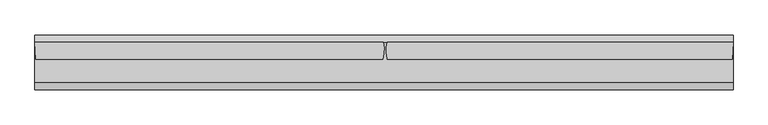
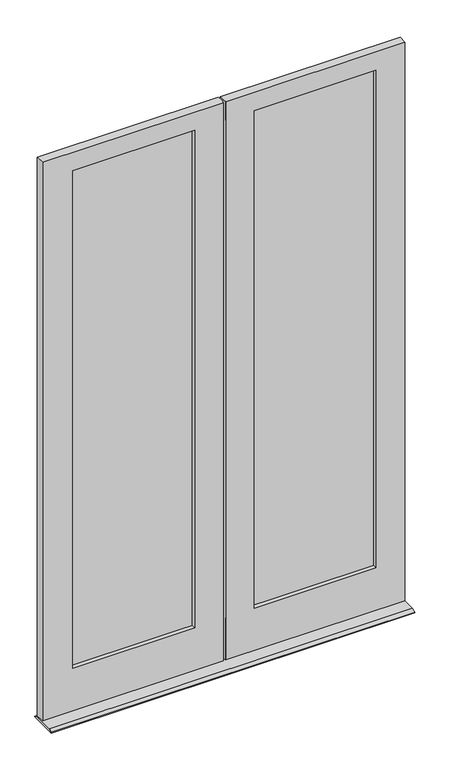
"""IFC4 building model written with IfcOpenShell, lengths in millimetres: plate geometry."""

from ifc_helpers import new_model, si_unit, frame, origin, place, context, project, spatial, polyline, circle_curve, outline, extrude, source, transform, mapped, element, save
from ifc_brep_helpers import plane_surface, cylinder_surface, advanced_brep


def plate_1552cdea(model_context):
    return source(origin(), model_context, "Body", "SolidModel", [
        extrude(outline(polyline([(-134.14375, -24.1173), (-773.90625, -24.1173), (-773.90625, -20.9423), (-134.14375, -20.9423), (-134.14375, -24.1173)])), frame((0.0, 0.0, 226.615625), z_axis=(0.0, 0.0, 1.0), x_axis=(1.0, 0.0, 0.0)), (0.0, 0.0, 1.0), 2663.428125),
        extrude(outline(polyline([(-773.90625, -13.1953), (-134.14375, -13.1953), (-134.14375, -16.3703), (-773.90625, -16.3703), (-773.90625, -13.1953)])), frame((0.0, 0.0, 226.615625), z_axis=(0.0, 0.0, 1.0), x_axis=(1.0, 0.0, 0.0)), (0.0, 0.0, 1.0), 2663.428125),
        extrude(outline(polyline([(773.90625, -24.1173), (134.14375, -24.1173), (134.14375, -20.9423), (773.90625, -20.9423), (773.90625, -24.1173)])), frame((0.0, 0.0, 226.615625), z_axis=(0.0, 0.0, 1.0), x_axis=(1.0, 0.0, 0.0)), (0.0, 0.0, 1.0), 2663.428125),
        extrude(outline(polyline([(134.14375, -13.1953), (773.90625, -13.1953), (773.90625, -16.3703), (134.14375, -16.3703), (134.14375, -13.1953)])), frame((0.0, 0.0, 226.615625), z_axis=(0.0, 0.0, 1.0), x_axis=(1.0, 0.0, 0.0)), (0.0, 0.0, 1.0), 2663.428125),
        advanced_brep(
        [(-153.9875, -1.5875127, 2870.2), (-153.9875, -13.1920658, 2870.2), (-754.0624339, -13.1946356, 2870.2), (-754.0624339, -1.5875026, 2870.2), (-134.14375, -13.1920658, 2890.04375), (-134.14375, -24.1171967, 2890.04375), (-773.90625, -24.117282, 2890.04375), (-773.90625, -13.1947354, 2890.04375), (-149.2123, -24.1171967, 2874.9752), (-149.2123, -46.0375, 2874.9752), (-758.8376387, -46.0375, 2874.9752), (-758.8376387, -24.1172796, 2874.9752), (-153.9875, -1.5875127, 246.0621956), (-754.0624339, -1.5875127, 246.0621956), (-754.0624339, -13.1950408, 246.0621956), (-153.9875, -13.1920658, 246.0621956), (-773.90625, -24.1171967, 226.615625), (-134.14375, -24.1171967, 226.615625), (-134.14375, -13.1920658, 226.615625), (-773.90625, -13.1920658, 226.615625), (-149.2123, -24.1171967, 241.2869956), (-758.8376387, -24.1171967, 241.2869956), (-758.8376387, -46.0375, 241.2869956), (-149.2123, -46.0375, 241.2869956), (-909.2069413, -46.0375, 17.4625), (-909.2069413, -46.0375, 2971.8), (-911.9755413, -1.5875, 2971.8), (-911.9755413, -1.5875, 17.4625), (-5.6038924, -46.0375, 2971.8), (-4.8336934, -1.5875127, 2971.8), (-4.8336934, -1.5875127, 17.4625), (-5.6038924, -46.0375, 17.4625)],
        [
            (0, 1),
            (1, 2),
            (2, 3),
            (3, 0),
            (4, 5),
            (5, 6),
            (6, 7),
            (7, 4),
            (8, 9),
            (9, 10),
            (10, 11),
            (11, 8),
            (12, 13),
            (13, 14),
            (14, 15),
            (15, 12),
            (16, 17),
            (17, 18),
            (18, 19),
            (19, 16),
            (20, 21),
            (21, 22),
            (22, 23),
            (23, 20),
            (24, 25),
            (25, 26),
            (26, 27),
            (27, 24),
            (10, 22),
            (21, 11),
            (19, 7),
            (6, 16),
            (2, 14),
            (13, 3),
            (0, 12),
            (15, 1),
            (17, 5),
            (4, 18),
            (8, 20),
            (23, 9),
            (28, 29, circle_curve(frame((-96.8375, -22.225, 2971.8), z_axis=(0.0, 0.0, 1.0), x_axis=(0.0, -1.0, 0.0)), 94.2900117)),
            (29, 26),
            (25, 28),
            (30, 31, circle_curve(frame((-96.8375, -22.225, 17.4625), z_axis=(0.0, 0.0, -1.0), x_axis=(0.0, -1.0, 0.0)), 94.2900117)),
            (31, 24),
            (27, 30),
            (31, 28),
            (29, 30),
        ],
        [
            plane_surface(frame((-909.2069413, -1.5875, 2870.2), z_axis=(0.0, 0.0, -1.0), x_axis=(1.0, 0.0, 0.0))),
            plane_surface(frame((-909.2069413, -13.1953, 2890.04375), z_axis=(0.0, 0.0, -1.0), x_axis=(1.0, 0.0, 0.0))),
            plane_surface(frame((-909.2069413, -24.1173, 2874.9752), z_axis=(0.0, 0.0, -1.0), x_axis=(1.0, 0.0, 0.0))),
            plane_surface(frame((-5.5889985, -1.5875, 246.0621956), z_axis=(0.0, 0.0, 1.0), x_axis=(-1.0, 0.0, 0.0))),
            plane_surface(frame((-5.5889985, -13.1953, 226.615625), z_axis=(0.0, 0.0, 1.0), x_axis=(-1.0, 0.0, 0.0))),
            plane_surface(frame((-5.5889985, -24.1173, 241.2869956), z_axis=(0.0, 0.0, 1.0), x_axis=(-1.0, 0.0, 0.0))),
            plane_surface(frame((-911.9755413, -1.5875, 2971.8), z_axis=(-0.998065870687917, -0.062165245660017444, 0.0), x_axis=(0.0, 0.0, -1.0))),
            plane_surface(frame((-758.8376387, -46.0375, 2971.8), z_axis=(1.0, 0.0, 0.0), x_axis=(0.0, 0.0, -1.0))),
            plane_surface(frame((-773.90625, -24.1173, 2971.8), z_axis=(1.0, 0.0, 0.0), x_axis=(0.0, 0.0, -1.0))),
            plane_surface(frame((-754.0624339, -13.1953, 2971.8), z_axis=(1.0, 0.0, 0.0), x_axis=(0.0, 0.0, -1.0))),
            plane_surface(frame((-153.9875, -1.5875127, 2971.8), z_axis=(-1.0, 0.0, 0.0), x_axis=(0.0, 0.0, -1.0))),
            plane_surface(frame((-134.14375, -13.1920658, 2971.8), z_axis=(-1.0, 0.0, 0.0), x_axis=(0.0, 0.0, -1.0))),
            plane_surface(frame((-149.2123, -24.1171967, 2971.8), z_axis=(-1.0, 0.0, 0.0), x_axis=(0.0, 0.0, -1.0))),
            plane_surface(frame((5.5889985, -46.0375, 2971.8), z_axis=(0.0, 0.0, 1.0), x_axis=(1.0, 0.0, 0.0))),
            plane_surface(frame((895.1066401, -18.6563, 17.4625), z_axis=(0.0, 0.0, -1.0), x_axis=(0.0, -1.0, 0.0))),
            plane_surface(frame((-87.2091402, -46.0375, 2971.8), z_axis=(0.0, -1.0, 0.0), x_axis=(0.0, 0.0, -1.0))),
            plane_surface(frame((-87.2091402, -1.5875127, 2971.8), z_axis=(0.0, 1.0, 0.0), x_axis=(0.0, 0.0, -1.0))),
            plane_surface(frame((-153.9875, -13.1920658, 2971.8), z_axis=(0.0, -1.0, 0.0), x_axis=(0.0, 0.0, -1.0))),
            plane_surface(frame((-134.14375, -24.1171967, 2971.8), z_axis=(0.0, 1.0, 0.0), x_axis=(0.0, 0.0, -1.0))),
            cylinder_surface(frame((-96.8375, -22.225, 2971.8), z_axis=(0.0, 0.0, 1.0), x_axis=(0.0, -1.0, 0.0)), 94.2900117),
        ],
        [
            (0, [[1, 2, 3, 4]]),
            (1, [[5, 6, 7, 8]]),
            (2, [[9, 10, 11, 12]]),
            (3, [[13, 14, 15, 16]]),
            (4, [[17, 18, 19, 20]]),
            (5, [[21, 22, 23, 24]]),
            (6, [[25, 26, 27, 28]]),
            (7, [[-11, 29, -22, 30]]),
            (8, [[31, -7, 32, -20]]),
            (9, [[-3, 33, -14, 34]]),
            (10, [[-1, 35, -16, 36]]),
            (11, [[37, -5, 38, -18]]),
            (12, [[-9, 39, -24, 40]]),
            (13, [[41, 42, -26, 43]]),
            (14, [[44, 45, -28, 46]]),
            (15, [[-45, 47, -43, -25], [-40, -23, -29, -10]]),
            (16, [[48, -46, -27, -42], [-34, -13, -35, -4]]),
            (17, [[-8, -31, -19, -38], [-2, -36, -15, -33]]),
            (18, [[-6, -37, -17, -32], [-12, -30, -21, -39]]),
            (19, [[-41, -47, -44, -48]]),
        ],
    ),
        advanced_brep(
        [(149.2123, -46.0375, 2874.9752), (149.2123, -46.0375, 241.2869956), (149.2123, -24.1172819, 241.2869956), (149.2123, -24.1173, 2874.9752), (134.14375, -13.1953, 2890.04375), (134.14375, -24.1173, 2890.04375), (134.14375, -24.1173, 226.615625), (134.14375, -13.1953, 226.615625), (153.9875, -13.1953, 2870.2), (153.9875, -13.1953, 246.0621956), (153.9875, -1.5875023, 246.0621956), (153.9875, -1.5875, 2870.2), (754.0625, -13.1953, 2870.2), (754.0625, -1.5875, 2870.2), (754.0625, -1.5875117, 246.0621956), (754.0625, -13.192325, 246.0621956), (773.90625, -24.1173, 2890.04375), (773.90625, -13.1953, 2890.04375), (773.90625, -13.1923013, 226.615625), (773.90625, -24.1172043, 226.615625), (758.8377, -46.0375, 2874.9752), (758.8377, -24.1173, 2874.9752), (758.8377, -24.1172048, 241.2869956), (758.8377, -46.0375, 241.2869956), (906.4624992, -1.5875127, 2971.8), (903.6939, -46.0375, 2971.8), (903.6939, -46.0375, 17.4625), (906.4624992, -1.5875127, 17.4625), (5.5889985, -46.0375, 2874.9752), (5.5889985, -42.7965476, 2874.9752), (6.380646, -46.0375, 2874.9752), (5.5889985, -46.0375, 241.2869956), (6.380646, -46.0375, 241.2869956), (5.5889985, -42.7965476, 241.2869956), (5.5889985, -1.5875, 2971.8), (5.5889985, -42.7965476, 2971.8), (5.5889985, -46.0375, 2971.8), (5.5889985, -46.0375, 17.4625), (5.5889985, -1.5875, 17.4625), (5.5889985, -42.7965476, 17.4625)],
        [
            (0, 1),
            (1, 2),
            (2, 3),
            (3, 0),
            (4, 5),
            (5, 6),
            (6, 7),
            (7, 4),
            (8, 9),
            (9, 10),
            (10, 11),
            (11, 8),
            (12, 13),
            (13, 14),
            (14, 15),
            (15, 12),
            (16, 17),
            (17, 18),
            (18, 19),
            (19, 16),
            (20, 21),
            (21, 22),
            (22, 23),
            (23, 20),
            (24, 25),
            (25, 26),
            (26, 27),
            (27, 24),
            (12, 8),
            (11, 13),
            (16, 5),
            (4, 17),
            (20, 0),
            (3, 21),
            (28, 29),
            (29, 30, circle_curve(frame((96.8375, -22.225, 2874.9752), z_axis=(0.0, 0.0, 1.0), x_axis=(0.0, -1.0, 0.0)), 93.5386423)),
            (30, 28),
            (14, 10),
            (9, 15),
            (18, 7),
            (6, 19),
            (22, 2),
            (1, 23),
            (31, 32),
            (32, 33, circle_curve(frame((96.8375, -22.225, 241.2869956), z_axis=(0.0, 0.0, -1.0), x_axis=(0.0, -1.0, 0.0)), 93.5386423)),
            (33, 31),
            (24, 34),
            (34, 35, circle_curve(frame((96.8375, -22.225, 2971.8), z_axis=(0.0, 0.0, 1.0), x_axis=(0.0, -1.0, 0.0)), 93.5386423)),
            (35, 36),
            (36, 25),
            (36, 28),
            (30, 32),
            (31, 37),
            (37, 26),
            (27, 38),
            (38, 34),
            (37, 39),
            (39, 38, circle_curve(frame((96.8375, -22.225, 17.4625), z_axis=(0.0, 0.0, -1.0), x_axis=(0.0, -1.0, 0.0)), 93.5386423)),
            (39, 33),
            (29, 35),
        ],
        [
            plane_surface(frame((149.2123, -46.0375, 2971.8), z_axis=(1.0, 0.0, 0.0), x_axis=(0.0, 0.0, -1.0))),
            plane_surface(frame((134.14375, -24.1171967, 2971.8), z_axis=(1.0, 0.0, 0.0), x_axis=(0.0, 0.0, -1.0))),
            plane_surface(frame((153.9875, -13.1920658, 2971.8), z_axis=(1.0, 0.0, 0.0), x_axis=(0.0, 0.0, -1.0))),
            plane_surface(frame((754.0625, -1.5875127, 2971.8), z_axis=(-1.0, 0.0, 0.0), x_axis=(0.0, 0.0, -1.0))),
            plane_surface(frame((773.90625, -13.1920658, 2971.8), z_axis=(-1.0, 0.0, 0.0), x_axis=(0.0, 0.0, -1.0))),
            plane_surface(frame((758.8377, -24.1171967, 2971.8), z_axis=(-1.0, 0.0, 0.0), x_axis=(0.0, 0.0, -1.0))),
            plane_surface(frame((903.6939, -46.0375, 2971.8), z_axis=(0.9980658706878365, -0.06216524566130957, 0.0), x_axis=(0.0, 0.0, -1.0))),
            plane_surface(frame((5.5889985, -1.5875, 2870.2), z_axis=(0.0, 0.0, -1.0), x_axis=(1.0, 0.0, 0.0))),
            plane_surface(frame((5.5889985, -13.1953, 2890.04375), z_axis=(0.0, 0.0, -1.0), x_axis=(1.0, 0.0, 0.0))),
            plane_surface(frame((5.5889985, -24.1173, 2874.9752), z_axis=(0.0, 0.0, -1.0), x_axis=(1.0, 0.0, 0.0))),
            plane_surface(frame((903.6939, -1.5875, 246.0621956), z_axis=(0.0, 0.0, 1.0), x_axis=(-1.0, 0.0, 0.0))),
            plane_surface(frame((903.6939, -13.1953, 226.615625), z_axis=(0.0, 0.0, 1.0), x_axis=(-1.0, 0.0, 0.0))),
            plane_surface(frame((903.6939, -24.1173, 241.2869956), z_axis=(0.0, 0.0, 1.0), x_axis=(-1.0, 0.0, 0.0))),
            plane_surface(frame((5.5889985, -46.0375, 2971.8), z_axis=(0.0, 0.0, 1.0), x_axis=(1.0, 0.0, 0.0))),
            plane_surface(frame((5.5889985, -46.0375, 2917.9315348), z_axis=(0.0, -1.0, 0.0), x_axis=(1.0, 0.0, 0.0))),
            plane_surface(frame((5.5889985, -1.5875, 2917.9315348), z_axis=(0.0, 1.0, 0.0), x_axis=(1.0, 0.0, 0.0))),
            plane_surface(frame((5.5889985, -13.1953, 2870.2), z_axis=(0.0, -1.0, 0.0), x_axis=(1.0, 0.0, 0.0))),
            plane_surface(frame((5.5889985, -24.1173, 2890.04375), z_axis=(0.0, 1.0, 0.0), x_axis=(1.0, 0.0, 0.0))),
            plane_surface(frame((895.1066401, -18.6563, 17.4625), z_axis=(0.0, 0.0, -1.0), x_axis=(0.0, -1.0, 0.0))),
            cylinder_surface(frame((96.8375, -22.225, 2971.8), z_axis=(0.0, 0.0, 1.0), x_axis=(0.0, -1.0, 0.0)), 93.5386423),
            plane_surface(frame((5.5889985, -18.6563, 2987.675), z_axis=(-1.0, 0.0, 0.0), x_axis=(0.0, -1.0, 0.0))),
            plane_surface(frame((5.5889985, -18.6563, 0.0), z_axis=(-1.0, 0.0, 0.0), x_axis=(0.0, -1.0, 0.0))),
        ],
        [
            (0, [[1, 2, 3, 4]]),
            (1, [[5, 6, 7, 8]]),
            (2, [[9, 10, 11, 12]]),
            (3, [[13, 14, 15, 16]]),
            (4, [[17, 18, 19, 20]]),
            (5, [[21, 22, 23, 24]]),
            (6, [[25, 26, 27, 28]]),
            (7, [[-13, 29, -12, 30]]),
            (8, [[-17, 31, -5, 32]]),
            (9, [[-21, 33, -4, 34]]),
            (9, [[35, 36, 37]]),
            (10, [[-15, 38, -10, 39]]),
            (11, [[-19, 40, -7, 41]]),
            (12, [[-23, 42, -2, 43]]),
            (12, [[44, 45, 46]]),
            (13, [[-25, 47, 48, 49, 50]]),
            (14, [[51, -37, 52, -44, 53, 54, -26, -50], [-24, -43, -1, -33]]),
            (15, [[-28, 55, 56, -47], [-14, -30, -11, -38]]),
            (16, [[-18, -32, -8, -40], [-16, -39, -9, -29]]),
            (17, [[-20, -41, -6, -31], [-22, -34, -3, -42]]),
            (18, [[-27, -54, 57, 58, -55]]),
            (19, [[-48, -56, -58, 59, -45, -52, -36, 60]]),
            (20, [[-51, -49, -60, -35]]),
            (21, [[-53, -46, -59, -57]]),
        ],
    ),
        extrude(outline(polyline([(-1.5881087, 12.7), (17.4625, 3.1746956), (17.4625, 0.0), (-125.4125, 0.0), (-125.4125, 3.1746956), (-106.3618913, 12.7), (-1.5881087, 12.7)])), frame((-911.9755413, 0.0, 0.0), z_axis=(1.0, 0.0, 0.0), x_axis=(0.0, 1.0, 0.0)), (0.0, 0.0, 1.0), 1818.4380405),
    ])


if __name__ == "__main__":
    model = new_model("IFC4")
    model_context = context("Model", 3, world=origin())
    ifc_project = project(units=[si_unit("LENGTHUNIT", "METRE", prefix="MILLI")], contexts=[model_context])
    site = spatial("IfcSite", under=ifc_project)
    building = spatial("IfcBuilding", under=site)
    placement = place(None, origin())
    plate_shape = plate_1552cdea(model_context)
    element("IfcPlate", 1, at=placement, inside=building, context=model_context, shape_type="MappedRepresentation", body=[
        mapped(plate_shape, transform((0.0, 0.0, 0.0), x_axis=(1.0, 0.0, 0.0), y_axis=(0.0, 1.0, 0.0), z_axis=(0.0, 0.0, 1.0))),
    ])
    save(model, "model.ifc")
